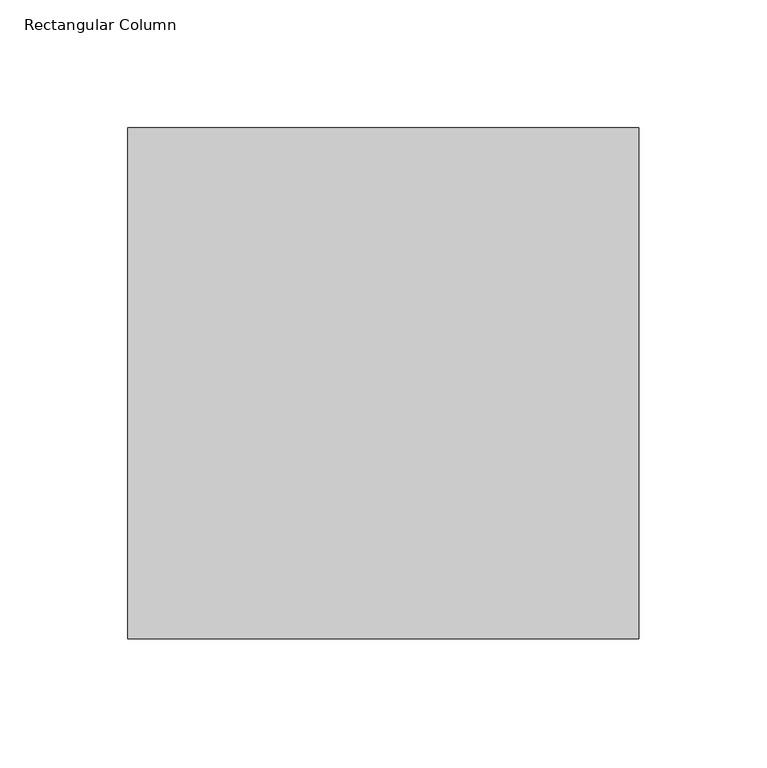
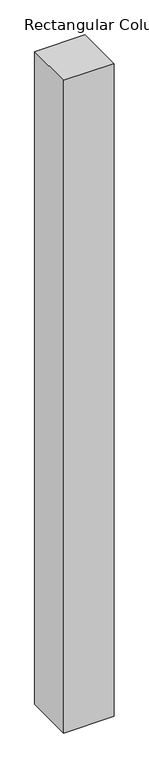
"""IFC4 building model written with IfcOpenShell, lengths in millimetres: column geometry, Rectangular Column."""

from ifc_helpers import new_model, si_unit, frame, origin, place, context, project, spatial, polyline, outline, extrude, source, transform, mapped, element, save


def rectangular_column_13a76a2c(model_context):
    return source(origin(), model_context, "Body", "SweptSolid", [
        extrude(outline(polyline([(100.0, 100.0), (100.0, -100.0), (-100.0, -100.0), (-100.0, 100.0), (100.0, 100.0)])), frame((0.0, 0.0, 3040.0), z_axis=(0.0, 0.0, 1.0), x_axis=(1.0, 0.0, 0.0)), (0.0, 0.0, 1.0), 2743.2),
    ])


if __name__ == "__main__":
    model = new_model("IFC4")
    model_context = context("Model", 3, world=origin())
    ifc_project = project(units=[si_unit("LENGTHUNIT", "METRE", prefix="MILLI")], contexts=[model_context])
    site = spatial("IfcSite", under=ifc_project)
    building = spatial("IfcBuilding", under=site)
    placement = place(None, origin())
    rectangular_column_shape = rectangular_column_13a76a2c(model_context)
    element("IfcColumn", 1, ObjectType="Rectangular Column", at=placement, inside=building, context=model_context, shape_type="MappedRepresentation", body=[
        mapped(rectangular_column_shape, transform((0.0, 0.0, 0.0), x_axis=(1.0, 0.0, 0.0), y_axis=(0.0, 1.0, 0.0), z_axis=(0.0, 0.0, 1.0))),
    ])
    save(model, "model.ifc")
